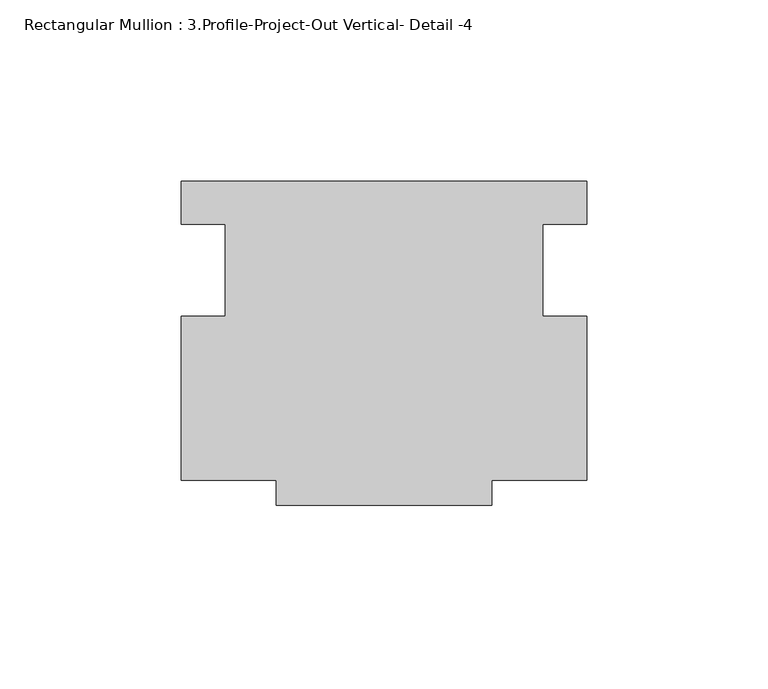
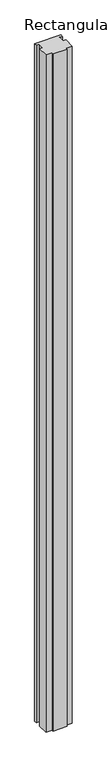
"""IFC4 building model written with IfcOpenShell, lengths in millimetres: member geometry, Rectangular Mullion : 3.Profile-Project-Out Vertical- Detail -4."""

from ifc_helpers import new_model, si_unit, frame, origin, place, context, project, spatial, polyline, outline, extrude, source, transform, mapped, element, save


def rectangular_mullion_3_profile_project_out_vertical_detail_4_c930b1c3(model_context):
    return source(origin(), model_context, "Body", "SweptSolid", [
        extrude(outline(polyline([(0.0, 47.5865631), (0.0, 35.7501631), (-12.2174, 35.7501631), (-12.2174, 10.3501631), (0.0, 10.3501631), (0.0, -34.9634369), (-26.289, -34.9634369), (-26.289, -41.8722369), (-85.6234, -41.8722369), (-85.6234, -34.9634369), (-111.9124, -34.9634369), (-111.9124, 10.3501631), (-99.695, 10.3501631), (-99.695, 35.7501631), (-111.9124, 35.7501631), (-111.9124, 47.5865631), (0.0, 47.5865631)])), frame((0.0, 0.0, -3048.0), z_axis=(0.0, 0.0, 1.0), x_axis=(1.0, 0.0, 0.0)), (0.0, 0.0, 1.0), 3048.0),
    ])


if __name__ == "__main__":
    model = new_model("IFC4")
    model_context = context("Model", 3, world=origin())
    ifc_project = project(units=[si_unit("LENGTHUNIT", "METRE", prefix="MILLI")], contexts=[model_context])
    site = spatial("IfcSite", under=ifc_project)
    building = spatial("IfcBuilding", under=site)
    placement = place(None, origin())
    rectangular_mullion_3_profile_project_out_vertical_detail_4_shape = rectangular_mullion_3_profile_project_out_vertical_detail_4_c930b1c3(model_context)
    element("IfcMember", 1, ObjectType="Rectangular Mullion : 3.Profile-Project-Out Vertical- Detail -4", at=placement, inside=building, context=model_context, shape_type="MappedRepresentation", body=[
        mapped(rectangular_mullion_3_profile_project_out_vertical_detail_4_shape, transform((0.0, 0.0, 0.0), x_axis=(1.0, 0.0, 0.0), y_axis=(0.0, 1.0, 0.0), z_axis=(0.0, 0.0, 1.0))),
    ])
    save(model, "model.ifc")
